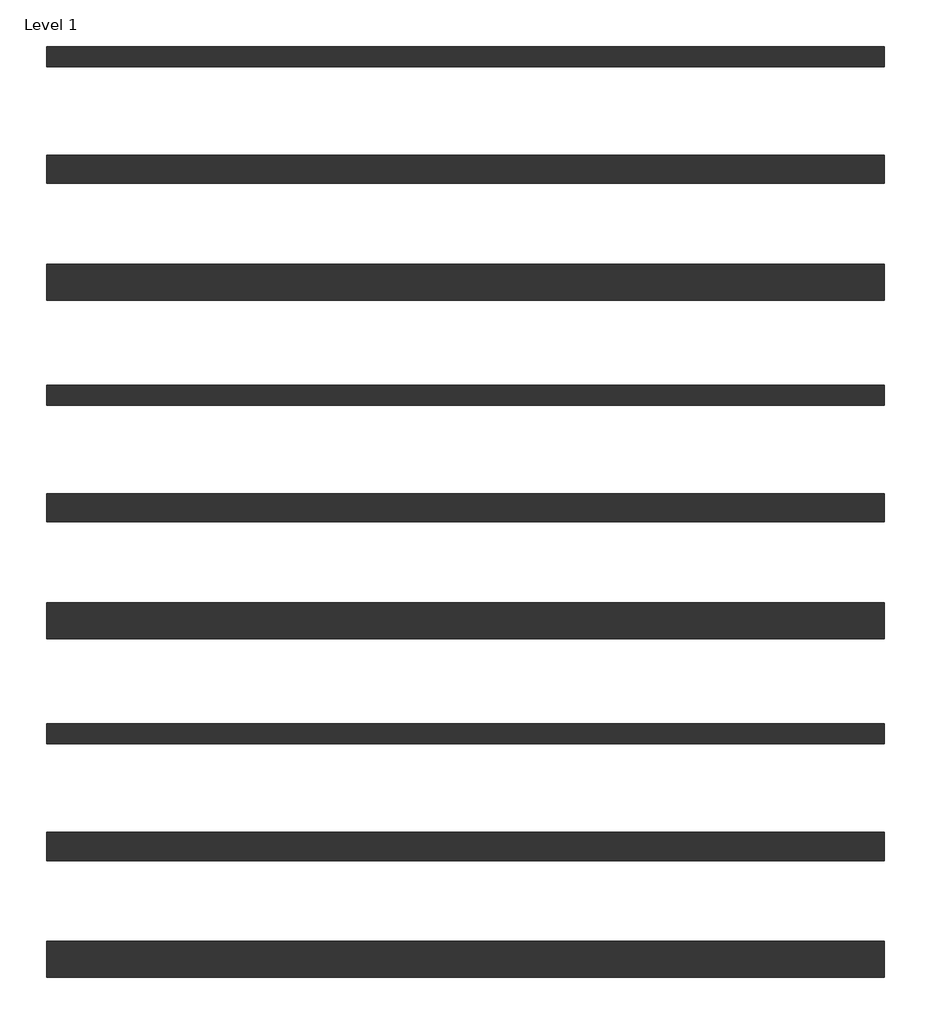
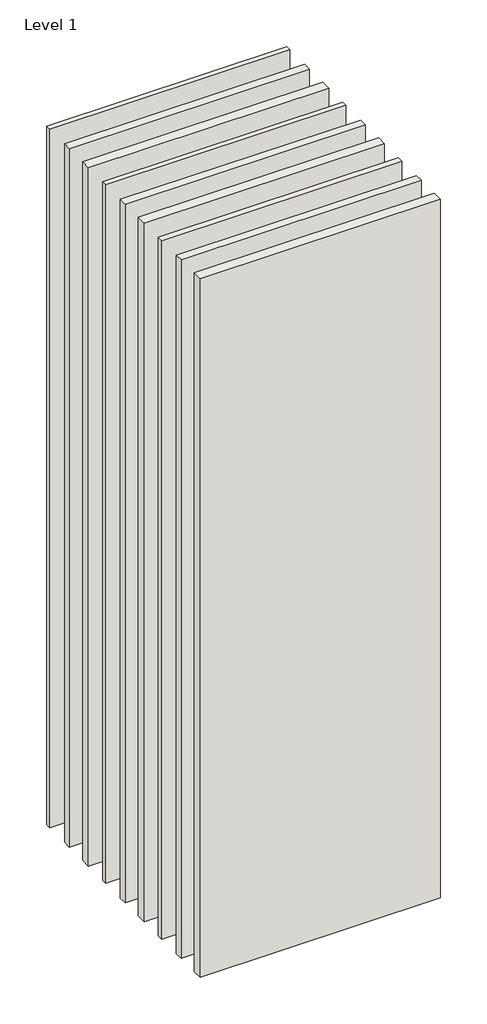
# One storey: 9 walls.
"""IFC4 building model written with IfcOpenShell, lengths in millimetres."""

from ifc_helpers import new_model, si_unit, origin, origin_with_axes, place, context, project, spatial, polyline, outline, extrude, element, save

model = new_model("IFC4")

# Units and contexts
model_context = context("Model", 3, world=origin())
ifc_project = project(units=[si_unit("LENGTHUNIT", "METRE", prefix="MILLI")], contexts=[model_context])

# Site, building, storey
site = spatial("IfcSite", under=ifc_project)
building = spatial("IfcBuilding", under=site)
storey = spatial("IfcBuildingStorey", under=building, Name="Level 1", Elevation=0.0)

# Walls
placement = place(None, origin())
element("IfcWall", 1, at=placement, inside=storey, context=model_context, shape_type="SweptSolid", body=[
    extrude(outline(polyline([(-16904.1464237, 3705.4042935), (-19504.1464237, 3705.4042935), (-19504.1464237, 3767.4042935), (-16904.1464237, 3767.4042935), (-16904.1464237, 3705.4042935)])), origin_with_axes(), (0.0, 0.0, 1.0), 8000.0),
])
element("IfcWall", 2, at=placement, inside=storey, context=model_context, shape_type="SweptSolid", body=[
    extrude(outline(polyline([(-16904.1464237, 3342.9042935), (-19504.1464237, 3342.9042935), (-19504.1464237, 3429.9042935), (-16904.1464237, 3429.9042935), (-16904.1464237, 3342.9042935)])), origin_with_axes(), (0.0, 0.0, 1.0), 8000.0),
])
element("IfcWall", 3, at=placement, inside=storey, context=model_context, shape_type="SweptSolid", body=[
    extrude(outline(polyline([(-16904.1464237, 2980.4042935), (-19504.1464237, 2980.4042935), (-19504.1464237, 3092.4042935), (-16904.1464237, 3092.4042935), (-16904.1464237, 2980.4042935)])), origin_with_axes(), (0.0, 0.0, 1.0), 8000.0),
])
element("IfcWall", 4, at=placement, inside=storey, context=model_context, shape_type="SweptSolid", body=[
    extrude(outline(polyline([(-16904.1464237, 2655.4042935), (-19504.1464237, 2655.4042935), (-19504.1464237, 2717.4042935), (-16904.1464237, 2717.4042935), (-16904.1464237, 2655.4042935)])), origin_with_axes(), (0.0, 0.0, 1.0), 8000.0),
])
element("IfcWall", 5, at=placement, inside=storey, context=model_context, shape_type="SweptSolid", body=[
    extrude(outline(polyline([(-16904.1464237, 2292.9042935), (-19504.1464237, 2292.9042935), (-19504.1464237, 2379.9042935), (-16904.1464237, 2379.9042935), (-16904.1464237, 2292.9042935)])), origin_with_axes(), (0.0, 0.0, 1.0), 8000.0),
])
element("IfcWall", 6, at=placement, inside=storey, context=model_context, shape_type="SweptSolid", body=[
    extrude(outline(polyline([(-16904.1464237, 1930.4042935), (-19504.1464237, 1930.4042935), (-19504.1464237, 2042.4042935), (-16904.1464237, 2042.4042935), (-16904.1464237, 1930.4042935)])), origin_with_axes(), (0.0, 0.0, 1.0), 8000.0),
])
element("IfcWall", 7, at=placement, inside=storey, context=model_context, shape_type="SweptSolid", body=[
    extrude(outline(polyline([(-16904.1464237, 1605.4042935), (-19504.1464237, 1605.4042935), (-19504.1464237, 1667.4042935), (-16904.1464237, 1667.4042935), (-16904.1464237, 1605.4042935)])), origin_with_axes(), (0.0, 0.0, 1.0), 8000.0),
])
element("IfcWall", 8, at=placement, inside=storey, context=model_context, shape_type="SweptSolid", body=[
    extrude(outline(polyline([(-16904.1464237, 1242.9042935), (-19504.1464237, 1242.9042935), (-19504.1464237, 1329.9042935), (-16904.1464237, 1329.9042935), (-16904.1464237, 1242.9042935)])), origin_with_axes(), (0.0, 0.0, 1.0), 8000.0),
])
element("IfcWall", 9, at=placement, inside=storey, context=model_context, shape_type="SweptSolid", body=[
    extrude(outline(polyline([(-16904.1464237, 880.4042935), (-19504.1464237, 880.4042935), (-19504.1464237, 992.4042935), (-16904.1464237, 992.4042935), (-16904.1464237, 880.4042935)])), origin_with_axes(), (0.0, 0.0, 1.0), 8000.0),
])

save(model, "model.ifc")
